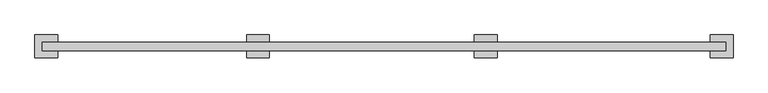
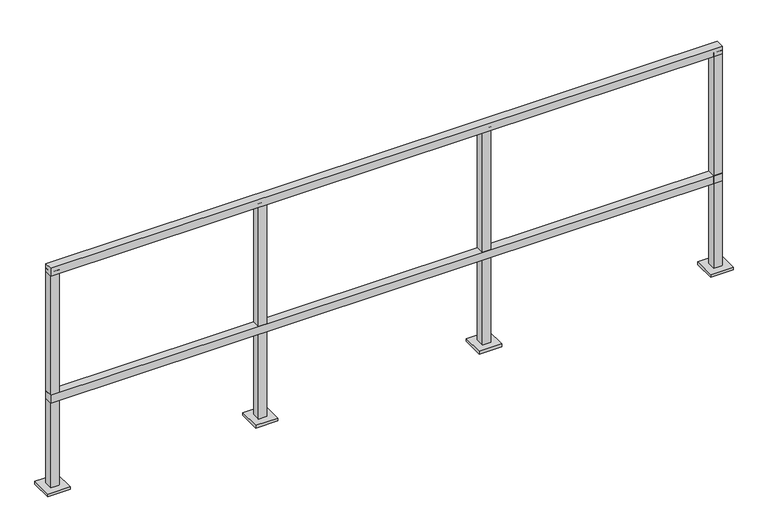
"""IFC4 building model written with IfcOpenShell, lengths in millimetres: railing geometry."""

from ifc_helpers import new_model, si_unit, frame, origin, origin_with_axes, place, context, project, spatial, polyline, outline, extrude, source, transform, mapped, element, save


def railing_412336ee(model_context):
    return source(origin(), model_context, "Body", "SweptSolid", [
        extrude(outline(polyline([(5155.0708903, -13211.844059), (5155.0708903, -13173.744059), (8203.0708903, -13173.744059), (8203.0708903, -13211.844059), (5155.0708903, -13211.844059)])), frame((0.0, 0.0, 1028.7), z_axis=(0.0, 0.0, 1.0), x_axis=(1.0, 0.0, 0.0)), (0.0, 0.0, 1.0), 38.1),
        extrude(outline(polyline([(5155.0708903, -13211.844059), (5155.0708903, -13173.744059), (8203.0708903, -13173.744059), (8203.0708903, -13211.844059), (5155.0708903, -13211.844059)])), frame((0.0, 0.0, 419.1), z_axis=(0.0, 0.0, 1.0), x_axis=(1.0, 0.0, 0.0)), (0.0, 0.0, 1.0), 38.1),
        extrude(outline(polyline([(7152.1811551, -13173.744059), (7152.1811551, -13211.844059), (7114.0811551, -13211.844059), (7114.0811551, -13173.744059), (7152.1811551, -13173.744059)]), holes=[polyline([(7115.6686551, -13210.256559), (7150.5936551, -13210.256559), (7150.5936551, -13175.331559), (7115.6686551, -13175.331559), (7115.6686551, -13210.256559)])]), frame((0.0, 0.0, 12.7), z_axis=(0.0, 0.0, 1.0), x_axis=(1.0, 0.0, 0.0)), (0.0, 0.0, 1.0), 1035.05),
        extrude(outline(polyline([(7183.9311551, -13243.594059), (7082.3311551, -13243.594059), (7082.3311551, -13141.994059), (7183.9311551, -13141.994059), (7183.9311551, -13243.594059)])), origin_with_axes(), (0.0, 0.0, 1.0), 12.7),
        extrude(outline(polyline([(6136.1811551, -13173.744059), (6136.1811551, -13211.844059), (6098.0811551, -13211.844059), (6098.0811551, -13173.744059), (6136.1811551, -13173.744059)]), holes=[polyline([(6099.6686551, -13210.256559), (6134.5936551, -13210.256559), (6134.5936551, -13175.331559), (6099.6686551, -13175.331559), (6099.6686551, -13210.256559)])]), frame((0.0, 0.0, 12.7), z_axis=(0.0, 0.0, 1.0), x_axis=(1.0, 0.0, 0.0)), (0.0, 0.0, 1.0), 1035.05),
        extrude(outline(polyline([(6167.9311551, -13243.594059), (6066.3311551, -13243.594059), (6066.3311551, -13141.994059), (6167.9311551, -13141.994059), (6167.9311551, -13243.594059)])), origin_with_axes(), (0.0, 0.0, 1.0), 12.7),
        extrude(outline(polyline([(8203.1061551, -13173.744059), (8203.1061551, -13211.844059), (8165.0061551, -13211.844059), (8165.0061551, -13173.744059), (8203.1061551, -13173.744059)]), holes=[polyline([(8166.5936551, -13210.256559), (8201.5186551, -13210.256559), (8201.5186551, -13175.331559), (8166.5936551, -13175.331559), (8166.5936551, -13210.256559)])]), frame((0.0, 0.0, 12.7), z_axis=(0.0, 0.0, 1.0), x_axis=(1.0, 0.0, 0.0)), (0.0, 0.0, 1.0), 1035.05),
        extrude(outline(polyline([(8234.8561551, -13243.594059), (8133.2561551, -13243.594059), (8133.2561551, -13141.994059), (8234.8561551, -13141.994059), (8234.8561551, -13243.594059)])), origin_with_axes(), (0.0, 0.0, 1.0), 12.7),
        extrude(outline(polyline([(5193.2061551, -13173.744059), (5193.2061551, -13211.844059), (5155.1061551, -13211.844059), (5155.1061551, -13173.744059), (5193.2061551, -13173.744059)]), holes=[polyline([(5156.6936551, -13210.256559), (5191.6186551, -13210.256559), (5191.6186551, -13175.331559), (5156.6936551, -13175.331559), (5156.6936551, -13210.256559)])]), frame((0.0, 0.0, 12.7), z_axis=(0.0, 0.0, 1.0), x_axis=(1.0, 0.0, 0.0)), (0.0, 0.0, 1.0), 1035.05),
        extrude(outline(polyline([(5224.9561551, -13243.594059), (5123.3561551, -13243.594059), (5123.3561551, -13141.994059), (5224.9561551, -13141.994059), (5224.9561551, -13243.594059)])), origin_with_axes(), (0.0, 0.0, 1.0), 12.7),
    ])


if __name__ == "__main__":
    model = new_model("IFC4")
    model_context = context("Model", 3, world=origin())
    ifc_project = project(units=[si_unit("LENGTHUNIT", "METRE", prefix="MILLI")], contexts=[model_context])
    site = spatial("IfcSite", under=ifc_project)
    building = spatial("IfcBuilding", under=site)
    placement = place(None, origin())
    railing_shape = railing_412336ee(model_context)
    element("IfcRailing", 1, at=placement, inside=building, context=model_context, shape_type="MappedRepresentation", body=[
        mapped(railing_shape, transform((0.0, 0.0, 0.0), x_axis=(1.0, 0.0, 0.0), y_axis=(0.0, 1.0, 0.0), z_axis=(0.0, 0.0, 1.0))),
    ])
    save(model, "model.ifc")
